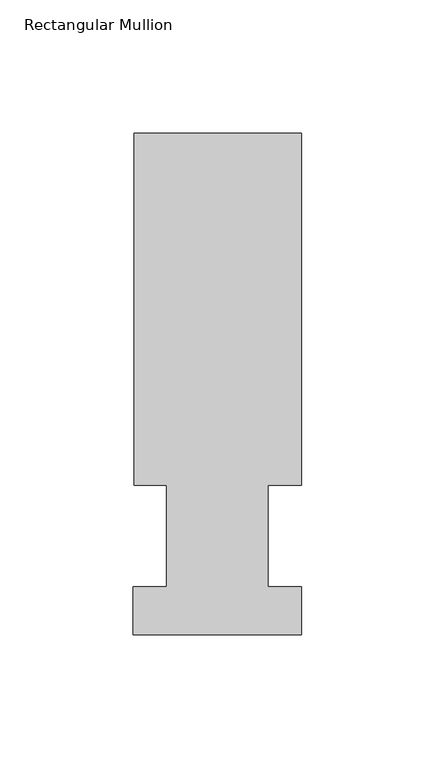
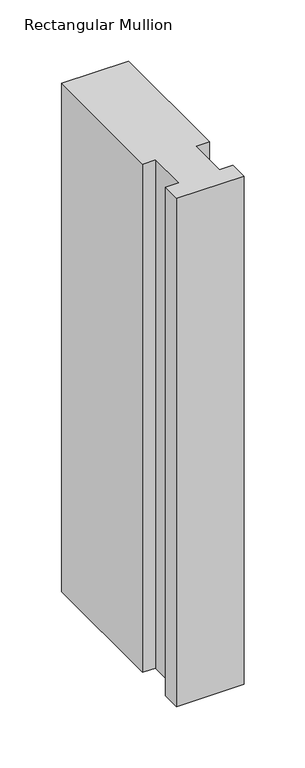
"""IFC4 building model written with IfcOpenShell, lengths in millimetres: member geometry, Rectangular Mullion."""

from ifc_helpers import new_model, si_unit, frame, origin, place, context, project, spatial, polyline, outline, extrude, source, transform, mapped, element, save


def rectangular_mullion_c16a9635(model_context):
    return source(origin(), model_context, "Body", "SweptSolid", [
        extrude(outline(polyline([(-63.0936, 189.0895062), (0.0, 189.0895062), (0.0, 56.6539062), (-12.6746, 56.6539062), (-12.6746, 18.5539063), (0.0, 18.5539062), (0.0, 0.5199062), (-63.5, 0.5199062), (-63.5, 18.5539063), (-50.8, 18.5539063), (-50.8, 56.6539062), (-63.0936, 56.6539062), (-63.0936, 189.0895062)])), frame((0.0, 0.0, -506.4112992), z_axis=(0.0, 0.0, 1.0), x_axis=(1.0, 0.0, 0.0)), (0.0, 0.0, 1.0), 506.4112992),
    ])


if __name__ == "__main__":
    model = new_model("IFC4")
    model_context = context("Model", 3, world=origin())
    ifc_project = project(units=[si_unit("LENGTHUNIT", "METRE", prefix="MILLI")], contexts=[model_context])
    site = spatial("IfcSite", under=ifc_project)
    building = spatial("IfcBuilding", under=site)
    placement = place(None, origin())
    rectangular_mullion_shape = rectangular_mullion_c16a9635(model_context)
    element("IfcMember", 1, ObjectType="Rectangular Mullion", at=placement, inside=building, context=model_context, shape_type="MappedRepresentation", body=[
        mapped(rectangular_mullion_shape, transform((0.0, 0.0, 0.0), x_axis=(1.0, 0.0, 0.0), y_axis=(0.0, 1.0, 0.0), z_axis=(0.0, 0.0, 1.0))),
    ])
    save(model, "model.ifc")
